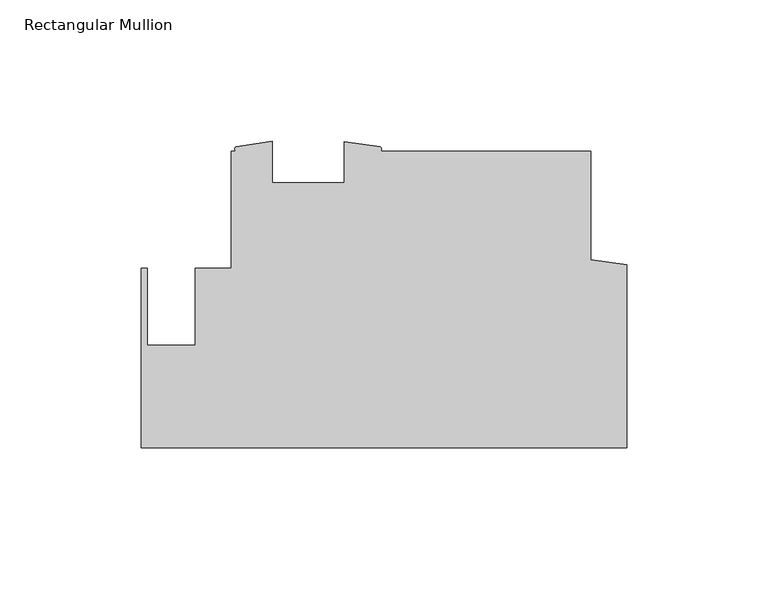
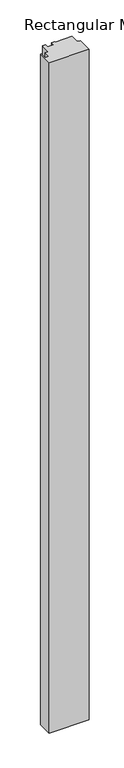
"""IFC4 building model written with IfcOpenShell, lengths in millimetres: member geometry, Rectangular Mullion."""

from ifc_helpers import new_model, si_unit, point, frame, frame_2d, origin, place, context, project, spatial, polyline, circle_curve, trimmed, segment, composite_curve, outline, extrude, source, transform, mapped, element, save


def rectangular_mullion_8213b9cd(model_context):
    return source(origin(), model_context, "Body", "SweptSolid", [
        extrude(outline(composite_curve([segment(polyline([(-12.7010309, 43.7524441), (-12.7010309, 5.4519115), (0.0, 3.6706682), (0.0, -61.0225556), (-171.4499999, -61.0225556), (-171.4499999, 2.477444), (-169.4179999, 2.477444), (-169.4179999, -24.6823565), (-152.5173426, -24.6823565), (-152.5173426, 2.477444), (-139.7010309, 2.477444), (-139.7010309, 43.7524441), (-137.9705587, 43.7524441)]), True, "CONTINUOUS"), segment(trimmed(circle_curve(frame_2d((-137.4923922, 44.5841463)), 0.95936), [point((-137.9705587, 43.7524441))], [point((-137.9705587, 45.4158485))], False, "CARTESIAN"), True, "CONTINUOUS"), segment(polyline([(-137.9705587, 45.4158485), (-125.1975059, 47.2719658), (-125.1975059, 32.6399441), (-99.7975059, 32.6399441), (-99.7975059, 47.1484441), (-87.0262183, 45.3383403)]), True, "CONTINUOUS"), segment(trimmed(circle_curve(frame_2d((-87.5397484, 44.5453922)), 0.9447115), [point((-87.0262183, 45.3383403))], [point((-87.0262183, 43.7524441))], False, "CARTESIAN"), True, "CONTINUOUS"), segment(polyline([(-87.0262183, 43.7524441), (-12.7010309, 43.7524441)]), True, "CONTINUOUS")], self_intersect=False)), frame((0.0, 0.0, -3048.0), z_axis=(0.0, 0.0, 1.0), x_axis=(1.0, 0.0, 0.0)), (0.0, 0.0, 1.0), 3048.0),
    ])


if __name__ == "__main__":
    model = new_model("IFC4")
    model_context = context("Model", 3, world=origin())
    ifc_project = project(units=[si_unit("LENGTHUNIT", "METRE", prefix="MILLI")], contexts=[model_context])
    site = spatial("IfcSite", under=ifc_project)
    building = spatial("IfcBuilding", under=site)
    placement = place(None, origin())
    rectangular_mullion_shape = rectangular_mullion_8213b9cd(model_context)
    element("IfcMember", 1, ObjectType="Rectangular Mullion", at=placement, inside=building, context=model_context, shape_type="MappedRepresentation", body=[
        mapped(rectangular_mullion_shape, transform((0.0, 0.0, 0.0), x_axis=(1.0, 0.0, 0.0), y_axis=(0.0, 1.0, 0.0), z_axis=(0.0, 0.0, 1.0))),
    ])
    save(model, "model.ifc")
